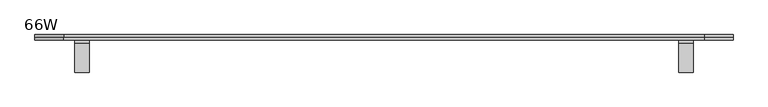
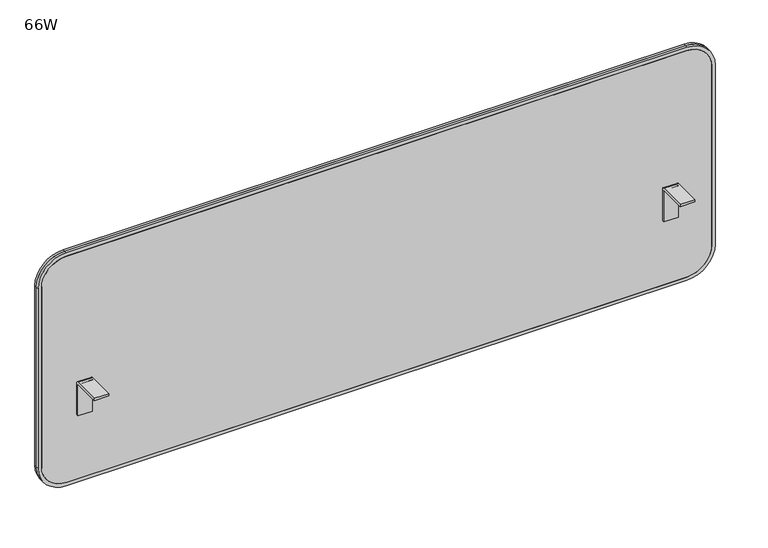
"""IFC4 building model written with IfcOpenShell, lengths in millimetres: furniture geometry, 66W."""

from ifc_helpers import new_model, si_unit, point, frame, frame_2d, origin, place, context, project, spatial, polyline, circle_curve, trimmed, segment, composite_curve, outline, extrude, source, transform, mapped, element, save


def furniture_66w_c38038bc(model_context):
    return source(origin(), model_context, "Body", "SweptSolid", [
        extrude(outline(composite_curve([segment(trimmed(circle_curve(frame_2d((1053.0423494, -237.2652966)), 62.1881015), [point((1115.2304508, -237.2652966))], [point((1053.0423494, -299.4533981))], False, "CARTESIAN"), True, "CONTINUOUS"), segment(polyline([(1053.0423494, -299.4533981), (585.0986816, -299.4533981)]), True, "CONTINUOUS"), segment(trimmed(circle_curve(frame_2d((585.0986816, -237.3407165)), 62.1126816), [point((585.0986816, -299.4533981))], [point((522.986, -237.3407165))], False, "CARTESIAN"), True, "CONTINUOUS"), segment(polyline([(522.986, -237.3407165), (522.986, 1297.380049)]), True, "CONTINUOUS"), segment(trimmed(circle_curve(frame_2d((585.2155145, 1297.380049)), 62.2295145), [point((522.986, 1297.380049))], [point((585.2155145, 1359.6095635))], False, "CARTESIAN"), True, "CONTINUOUS"), segment(polyline([(585.2155145, 1359.6095635), (1053.042303, 1359.6095635)]), True, "CONTINUOUS"), segment(trimmed(circle_curve(frame_2d((1053.042303, 1297.4214157)), 62.1881478), [point((1053.042303, 1359.6095635))], [point((1115.2304508, 1297.4214157))], False, "CARTESIAN"), True, "CONTINUOUS"), segment(polyline([(1115.2304508, 1297.4214157), (1115.2304508, -237.2652966)]), True, "CONTINUOUS")], self_intersect=False)), frame((0.0, 5.6449406, 0.0), z_axis=(0.0, 1.0, 0.0), x_axis=(0.0, 0.0, 1.0)), (0.0, 0.0, 1.0), 6.6302155),
        extrude(outline(composite_curve([segment(polyline([(1123.8664508, 1298.4285682), (1123.8664508, -238.2724492)]), True, "CONTINUOUS"), segment(trimmed(circle_curve(frame_2d((1054.0169827, -238.2724492)), 69.8494681), [point((1123.8664508, -238.2724492))], [point((1054.0169827, -308.1219173))], False, "CARTESIAN"), True, "CONTINUOUS"), segment(polyline([(1054.0169827, -308.1219173), (584.2310153, -308.1219173)]), True, "CONTINUOUS"), segment(trimmed(circle_curve(frame_2d((584.2310153, -238.240902)), 69.8810153), [point((584.2310153, -308.1219173))], [point((514.35, -238.240902))], False, "CARTESIAN"), True, "CONTINUOUS"), segment(polyline([(514.35, -238.240902), (514.35, 1298.4285682)]), True, "CONTINUOUS"), segment(trimmed(circle_curve(frame_2d((584.1995145, 1298.4285682)), 69.8495145), [point((514.35, 1298.4285682))], [point((584.1995145, 1368.2780827))], False, "CARTESIAN"), True, "CONTINUOUS"), segment(polyline([(584.1995145, 1368.2780827), (1054.0169364, 1368.2780827)]), True, "CONTINUOUS"), segment(trimmed(circle_curve(frame_2d((1054.0169364, 1298.4285682)), 69.8495145), [point((1054.0169364, 1368.2780827))], [point((1123.8664508, 1298.4285682))], False, "CARTESIAN"), True, "CONTINUOUS")], self_intersect=False), holes=[composite_curve([segment(polyline([(522.986, 1297.380049), (522.986, -237.3407165)]), True, "CONTINUOUS"), segment(trimmed(circle_curve(frame_2d((585.0986816, -237.3407165)), 62.1126816), [point((522.986, -237.3407165))], [point((585.0986816, -299.4533981))], True, "CARTESIAN"), True, "CONTINUOUS"), segment(polyline([(585.0986816, -299.4533981), (1053.0423494, -299.4533981)]), True, "CONTINUOUS"), segment(trimmed(circle_curve(frame_2d((1053.0423494, -237.2652966)), 62.1881015), [point((1053.0423494, -299.4533981))], [point((1115.2304508, -237.2652966))], True, "CARTESIAN"), True, "CONTINUOUS"), segment(polyline([(1115.2304508, -237.2652966), (1115.2304508, 1297.4214157)]), True, "CONTINUOUS"), segment(trimmed(circle_curve(frame_2d((1053.042303, 1297.4214157)), 62.1881478), [point((1115.2304508, 1297.4214157))], [point((1053.042303, 1359.6095635))], True, "CARTESIAN"), True, "CONTINUOUS"), segment(polyline([(1053.042303, 1359.6095635), (585.2155145, 1359.6095635)]), True, "CONTINUOUS"), segment(trimmed(circle_curve(frame_2d((585.2155145, 1297.380049)), 62.2295145), [point((585.2155145, 1359.6095635))], [point((522.986, 1297.380049))], True, "CARTESIAN"), True, "CONTINUOUS")], self_intersect=False)]), frame((0.0, 5.6449406, 0.0), z_axis=(0.0, 1.0, 0.0), x_axis=(0.0, 0.0, 1.0)), (0.0, 0.0, 1.0), 6.6302155),
        extrude(outline(composite_curve([segment(trimmed(circle_curve(frame_2d((1053.0423494, -237.2652966)), 62.1881015), [point((1115.2304508, -237.2652966))], [point((1053.0423494, -299.4533981))], False, "CARTESIAN"), True, "CONTINUOUS"), segment(polyline([(1053.0423494, -299.4533981), (585.0986816, -299.4533981)]), True, "CONTINUOUS"), segment(trimmed(circle_curve(frame_2d((585.0986816, -237.3407165)), 62.1126816), [point((585.0986816, -299.4533981))], [point((522.986, -237.3407165))], False, "CARTESIAN"), True, "CONTINUOUS"), segment(polyline([(522.986, -237.3407165), (522.986, 1297.380049)]), True, "CONTINUOUS"), segment(trimmed(circle_curve(frame_2d((585.2155145, 1297.380049)), 62.2295145), [point((522.986, 1297.380049))], [point((585.2155145, 1359.6095635))], False, "CARTESIAN"), True, "CONTINUOUS"), segment(polyline([(585.2155145, 1359.6095635), (1053.042303, 1359.6095635)]), True, "CONTINUOUS"), segment(trimmed(circle_curve(frame_2d((1053.042303, 1297.4214157)), 62.1881478), [point((1053.042303, 1359.6095635))], [point((1115.2304508, 1297.4214157))], False, "CARTESIAN"), True, "CONTINUOUS"), segment(polyline([(1115.2304508, 1297.4214157), (1115.2304508, -237.2652966)]), True, "CONTINUOUS")], self_intersect=False)), frame((0.0, 12.2751561, 0.0), z_axis=(0.0, 1.0, 0.0), x_axis=(0.0, 0.0, 1.0)), (0.0, 0.0, 1.0), 6.6302155),
        extrude(outline(composite_curve([segment(polyline([(1123.8664508, 1298.4285682), (1123.8664508, -238.1602449)]), True, "CONTINUOUS"), segment(trimmed(circle_curve(frame_2d((1054.0169827, -238.1602449)), 69.8494681), [point((1123.8664508, -238.1602449))], [point((1054.0169827, -308.0097131))], False, "CARTESIAN"), True, "CONTINUOUS"), segment(polyline([(1054.0169827, -308.0097131), (584.2310153, -308.0097131)]), True, "CONTINUOUS"), segment(trimmed(circle_curve(frame_2d((584.2310153, -238.1286978)), 69.8810153), [point((584.2310153, -308.0097131))], [point((514.35, -238.1286978))], False, "CARTESIAN"), True, "CONTINUOUS"), segment(polyline([(514.35, -238.1286978), (514.35, 1298.4285682)]), True, "CONTINUOUS"), segment(trimmed(circle_curve(frame_2d((584.1995145, 1298.4285682)), 69.8495145), [point((514.35, 1298.4285682))], [point((584.1995145, 1368.2780827))], False, "CARTESIAN"), True, "CONTINUOUS"), segment(polyline([(584.1995145, 1368.2780827), (1054.0169364, 1368.2780827)]), True, "CONTINUOUS"), segment(trimmed(circle_curve(frame_2d((1054.0169364, 1298.4285682)), 69.8495145), [point((1054.0169364, 1368.2780827))], [point((1123.8664508, 1298.4285682))], False, "CARTESIAN"), True, "CONTINUOUS")], self_intersect=False), holes=[composite_curve([segment(polyline([(522.986, 1297.380049), (522.986, -237.3407165)]), True, "CONTINUOUS"), segment(trimmed(circle_curve(frame_2d((585.0986816, -237.3407165)), 62.1126816), [point((522.986, -237.3407165))], [point((585.0986816, -299.4533981))], True, "CARTESIAN"), True, "CONTINUOUS"), segment(polyline([(585.0986816, -299.4533981), (1053.0423494, -299.4533981)]), True, "CONTINUOUS"), segment(trimmed(circle_curve(frame_2d((1053.0423494, -237.2652966)), 62.1881015), [point((1053.0423494, -299.4533981))], [point((1115.2304508, -237.2652966))], True, "CARTESIAN"), True, "CONTINUOUS"), segment(polyline([(1115.2304508, -237.2652966), (1115.2304508, 1297.4214157)]), True, "CONTINUOUS"), segment(trimmed(circle_curve(frame_2d((1053.042303, 1297.4214157)), 62.1881478), [point((1115.2304508, 1297.4214157))], [point((1053.042303, 1359.6095635))], True, "CARTESIAN"), True, "CONTINUOUS"), segment(polyline([(1053.042303, 1359.6095635), (585.2155145, 1359.6095635)]), True, "CONTINUOUS"), segment(trimmed(circle_curve(frame_2d((585.2155145, 1297.380049)), 62.2295145), [point((585.2155145, 1359.6095635))], [point((522.986, 1297.380049))], True, "CARTESIAN"), True, "CONTINUOUS")], self_intersect=False)]), frame((0.0, 12.2751561, 0.0), z_axis=(0.0, 1.0, 0.0), x_axis=(0.0, 0.0, 1.0)), (0.0, 0.0, 1.0), 6.6302155),
        extrude(outline(composite_curve([segment(polyline([(-71.3137766, 780.9664508), (-2.6191465, 780.9664508)]), True, "CONTINUOUS"), segment(trimmed(circle_curve(frame_2d((-2.6191465, 772.8090436)), 8.1574072), [point((-2.6191465, 780.9664508))], [point((5.5382607, 772.8090436))], False, "CARTESIAN"), True, "CONTINUOUS"), segment(polyline([(5.5382607, 772.8090436), (5.5382607, 692.0664993), (-0.6843972, 692.0664993), (-0.6843972, 772.7753111)]), True, "CONTINUOUS"), segment(trimmed(circle_curve(frame_2d((-2.6525157, 772.7753111)), 1.9681185), [point((-0.6843972, 772.7753111))], [point((-2.6525157, 774.7434295))], True, "CARTESIAN"), True, "CONTINUOUS"), segment(polyline([(-2.6525157, 774.7434295), (-71.3137766, 774.7434295), (-71.3137766, 780.9664508)]), True, "CONTINUOUS")], self_intersect=False)), frame((1237.4718057, 0.0, 0.0), z_axis=(1.0, 0.0, 0.0), x_axis=(0.0, 1.0, 0.0)), (0.0, 0.0, 1.0), 35.5562769),
        extrude(outline(composite_curve([segment(polyline([(-71.3137766, 780.9664508), (-2.6191465, 780.9664508)]), True, "CONTINUOUS"), segment(trimmed(circle_curve(frame_2d((-2.6191465, 772.8090436)), 8.1574072), [point((-2.6191465, 780.9664508))], [point((5.5382607, 772.8090436))], False, "CARTESIAN"), True, "CONTINUOUS"), segment(polyline([(5.5382607, 772.8090436), (5.5382607, 692.0664993), (-0.6843972, 692.0664993), (-0.6843972, 772.7753111)]), True, "CONTINUOUS"), segment(trimmed(circle_curve(frame_2d((-2.6525157, 772.7753111)), 1.9681185), [point((-0.6843972, 772.7753111))], [point((-2.6525157, 774.7434295))], True, "CARTESIAN"), True, "CONTINUOUS"), segment(polyline([(-2.6525157, 774.7434295), (-71.3137766, 774.7434295), (-71.3137766, 780.9664508)]), True, "CONTINUOUS")], self_intersect=False)), frame((-212.8719173, 0.0, 0.0), z_axis=(1.0, 0.0, 0.0), x_axis=(0.0, 1.0, 0.0)), (0.0, 0.0, 1.0), 35.5562769),
    ])


if __name__ == "__main__":
    model = new_model("IFC4")
    model_context = context("Model", 3, world=origin())
    ifc_project = project(units=[si_unit("LENGTHUNIT", "METRE", prefix="MILLI")], contexts=[model_context])
    site = spatial("IfcSite", under=ifc_project)
    building = spatial("IfcBuilding", under=site)
    placement = place(None, origin())
    furniture_66w_shape = furniture_66w_c38038bc(model_context)
    element("IfcFurniture", 1, ObjectType="66W", at=placement, inside=building, context=model_context, shape_type="MappedRepresentation", body=[
        mapped(furniture_66w_shape, transform((0.0, 0.0, 0.0), x_axis=(1.0, 0.0, 0.0), y_axis=(0.0, 1.0, 0.0), z_axis=(0.0, 0.0, 1.0))),
    ])
    save(model, "model.ifc")
